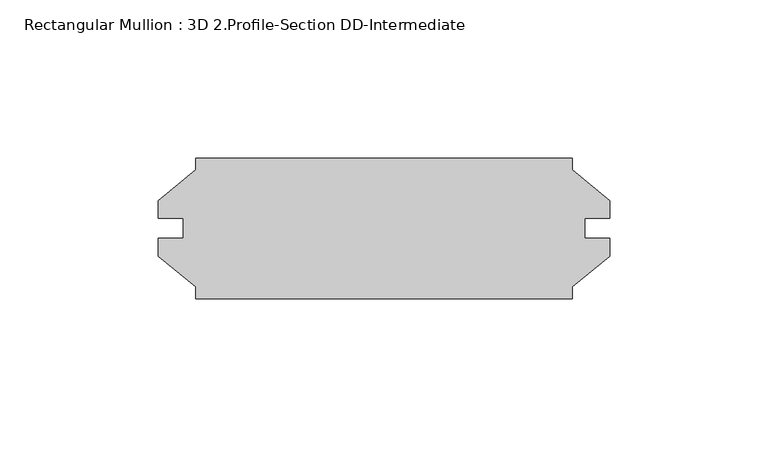
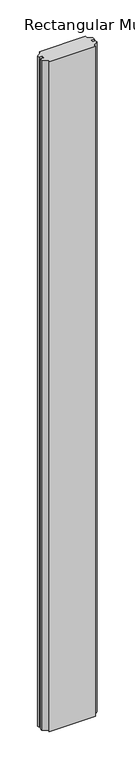
"""IFC4 building model written with IfcOpenShell, lengths in millimetres: member geometry, Rectangular Mullion : 3D 2.Profile-Section DD-Intermediate."""

from ifc_helpers import new_model, si_unit, frame, origin, place, context, project, spatial, polyline, outline, extrude, source, transform, mapped, element, save


def rectangular_mullion_3d_2_profile_section_dd_intermediate_0f8955cb(model_context):
    return source(origin(), model_context, "Body", "SweptSolid", [
        extrude(outline(polyline([(-57.9374, -22.26945), (-57.9374, -18.563286), (-69.84365, -8.79475), (-69.84365, -3.21945), (-61.8998, -3.21945), (-61.8998, 3.13055), (-69.84365, 3.13055), (-69.84365, 8.70585), (-57.9374, 18.474386), (-57.9374, 22.18055), (61.1124, 22.18055), (61.1561509, 18.4384904), (73.01865, 8.70585), (73.01865, 3.13055), (65.0748, 3.13055), (65.0748, -3.21945), (73.01865, -3.21945), (73.01865, -8.79475), (61.1124, -18.563286), (61.1124, -22.26945), (-57.9374, -22.26945)])), frame((0.0, 0.0, -1828.00625), z_axis=(0.0, 0.0, 1.0), x_axis=(1.0, 0.0, 0.0)), (0.0, 0.0, 1.0), 1828.00625),
    ])


if __name__ == "__main__":
    model = new_model("IFC4")
    model_context = context("Model", 3, world=origin())
    ifc_project = project(units=[si_unit("LENGTHUNIT", "METRE", prefix="MILLI")], contexts=[model_context])
    site = spatial("IfcSite", under=ifc_project)
    building = spatial("IfcBuilding", under=site)
    placement = place(None, origin())
    rectangular_mullion_3d_2_profile_section_dd_intermediate_shape = rectangular_mullion_3d_2_profile_section_dd_intermediate_0f8955cb(model_context)
    element("IfcMember", 1, ObjectType="Rectangular Mullion : 3D 2.Profile-Section DD-Intermediate", at=placement, inside=building, context=model_context, shape_type="MappedRepresentation", body=[
        mapped(rectangular_mullion_3d_2_profile_section_dd_intermediate_shape, transform((0.0, 0.0, 0.0), x_axis=(1.0, 0.0, 0.0), y_axis=(0.0, 1.0, 0.0), z_axis=(0.0, 0.0, 1.0))),
    ])
    save(model, "model.ifc")
